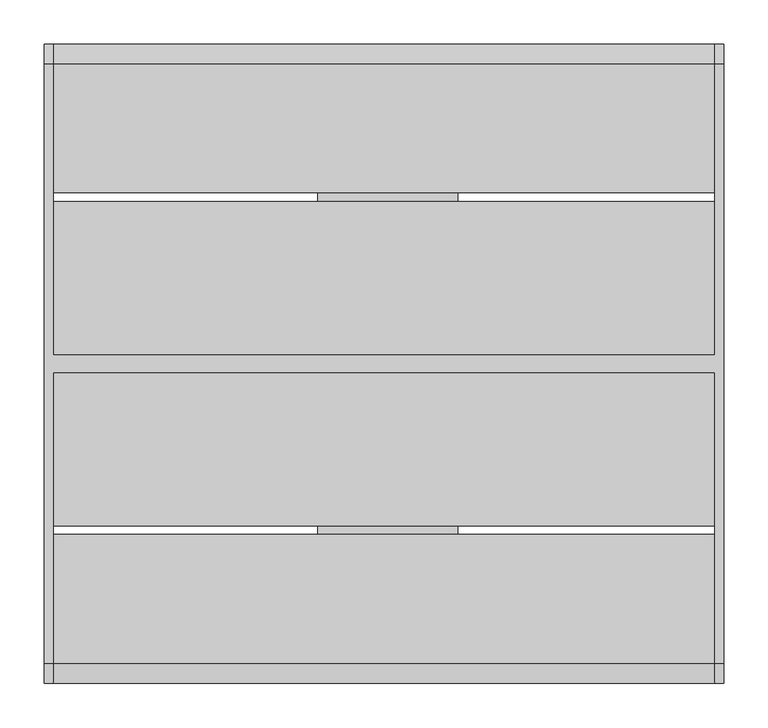
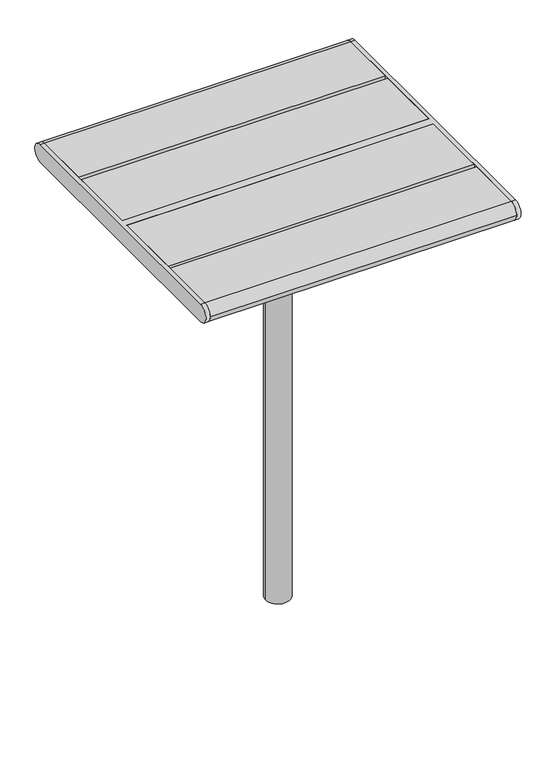
"""IFC4 building model written with IfcOpenShell, lengths in millimetres: furniture geometry."""

from ifc_helpers import new_model, si_unit, point, frame, frame_2d, origin, place, context, project, spatial, polyline, circle_curve, trimmed, segment, composite_curve, outline, extrude, source, transform, mapped, element, save
from ifc_brep_helpers import plane_surface, cylinder_surface, advanced_brep


def furniture_14a048e4(model_context):
    return source(origin(), model_context, "Body", "SolidModel", [
        advanced_brep(
        [(383.5, 338.5, 740.0), (383.5, -338.5, 740.0), (383.5, -338.5, 695.0), (383.5, 338.5, 695.0), (373.5, 338.5, 740.0), (373.5, 338.5, 695.0), (373.5, 10.0, 695.0), (373.5, 10.0, 740.0), (373.5, -338.5, 695.0), (373.5, -338.5, 740.0), (373.5, -10.0, 740.0), (373.5, -10.0, 695.0), (-373.5, 10.0, 740.0), (-373.5, 338.5, 740.0), (-383.5, 338.5, 740.0), (-383.5, -338.5, 740.0), (-373.5, -338.5, 740.0), (-373.5, -10.0, 740.0), (-373.5, -10.0, 695.0), (-373.5, -338.5, 695.0), (-383.5, -338.5, 695.0), (-383.5, 338.5, 695.0), (-373.5, 338.5, 695.0), (-373.5, 10.0, 695.0)],
        [
            (0, 1),
            (1, 2, circle_curve(frame((383.5, -338.5, 717.5), z_axis=(1.0, 0.0, 0.0), x_axis=(0.0, 1.0, 0.0)), 22.5)),
            (2, 3),
            (3, 0, circle_curve(frame((383.5, 338.5, 717.5), z_axis=(1.0, 0.0, 0.0), x_axis=(0.0, 1.0, 0.0)), 22.5)),
            (4, 5, circle_curve(frame((373.5, 338.5, 717.5), z_axis=(-1.0, 0.0, 0.0), x_axis=(0.0, 1.0, 0.0)), 22.5)),
            (5, 6),
            (6, 7),
            (7, 4),
            (8, 9, circle_curve(frame((373.5, -338.5, 717.5), z_axis=(-1.0, 0.0, 0.0), x_axis=(0.0, 1.0, 0.0)), 22.5)),
            (9, 10),
            (10, 11),
            (11, 8),
            (0, 4),
            (7, 12),
            (12, 13),
            (13, 14),
            (14, 15),
            (15, 16),
            (16, 17),
            (17, 10),
            (9, 1),
            (8, 2),
            (11, 18),
            (18, 19),
            (19, 20),
            (20, 21),
            (21, 22),
            (22, 23),
            (23, 6),
            (5, 3),
            (17, 18),
            (23, 12),
            (16, 19, circle_curve(frame((-373.5, -338.5, 717.5), z_axis=(1.0, 0.0, 0.0), x_axis=(0.0, 1.0, 0.0)), 22.5)),
            (22, 13, circle_curve(frame((-373.5, 338.5, 717.5), z_axis=(1.0, 0.0, 0.0), x_axis=(0.0, 1.0, 0.0)), 22.5)),
            (14, 21, circle_curve(frame((-383.5, 338.5, 717.5), z_axis=(-1.0, 0.0, 0.0), x_axis=(0.0, 1.0, 0.0)), 22.5)),
            (20, 15, circle_curve(frame((-383.5, -338.5, 717.5), z_axis=(-1.0, 0.0, 0.0), x_axis=(0.0, 1.0, 0.0)), 22.5)),
        ],
        [
            plane_surface(frame((383.5, -338.5, 740.0), z_axis=(1.0, 0.0, 0.0), x_axis=(0.0, -1.0, 0.0))),
            plane_surface(frame((373.5, -338.5, 740.0), z_axis=(-1.0, 0.0, 0.0), x_axis=(0.0, 1.0, 0.0))),
            plane_surface(frame((383.5, 338.5, 740.0), z_axis=(0.0, 0.0, 1.0), x_axis=(-1.0, 0.0, 0.0))),
            cylinder_surface(frame((373.5, -338.5, 717.5), z_axis=(1.0, 0.0, 0.0), x_axis=(0.0, 1.0, 0.0)), 22.5),
            plane_surface(frame((383.5, -338.5, 695.0), z_axis=(0.0, 0.0, -1.0), x_axis=(-1.0, 0.0, 0.0))),
            cylinder_surface(frame((373.5, 338.5, 717.5), z_axis=(1.0, 0.0, 0.0), x_axis=(0.0, 1.0, 0.0)), 22.5),
            plane_surface(frame((373.5, -10.0, 740.0), z_axis=(0.0, -1.0, 0.0), x_axis=(-1.0, 0.0, 0.0))),
            plane_surface(frame((373.5, 10.0, 695.0), z_axis=(0.0, 1.0, 0.0), x_axis=(-1.0, 0.0, 0.0))),
            plane_surface(frame((-373.5, -338.5, 740.0), z_axis=(1.0, 0.0, 0.0), x_axis=(0.0, -1.0, 0.0))),
            plane_surface(frame((-383.5, -338.5, 740.0), z_axis=(-1.0, 0.0, 0.0), x_axis=(0.0, 1.0, 0.0))),
            cylinder_surface(frame((-383.5, -338.5, 717.5), z_axis=(1.0, 0.0, 0.0), x_axis=(0.0, 1.0, 0.0)), 22.5),
            cylinder_surface(frame((-383.5, 338.5, 717.5), z_axis=(1.0, 0.0, 0.0), x_axis=(0.0, 1.0, 0.0)), 22.5),
        ],
        [
            (0, [[1, 2, 3, 4]]),
            (1, [[5, 6, 7, 8]]),
            (1, [[9, 10, 11, 12]]),
            (2, [[-1, 13, -8, 14, 15, 16, 17, 18, 19, 20, -10, 21]]),
            (3, [[-2, -21, -9, 22]]),
            (4, [[-3, -22, -12, 23, 24, 25, 26, 27, 28, 29, -6, 30]]),
            (5, [[-4, -30, -5, -13]]),
            (6, [[-20, 31, -23, -11]]),
            (7, [[-29, 32, -14, -7]]),
            (8, [[33, -24, -31, -19]]),
            (8, [[34, -15, -32, -28]]),
            (9, [[35, -26, 36, -17]]),
            (10, [[-33, -18, -36, -25]]),
            (11, [[-34, -27, -35, -16]]),
        ],
    ),
        extrude(outline(composite_curve([segment(trimmed(circle_curve(frame_2d((338.5, 717.5)), 22.5), [point((338.5, 740.0))], [point((338.5, 695.0))], False, "CARTESIAN"), True, "CONTINUOUS"), segment(polyline([(338.5, 695.0), (193.0, 695.0), (193.0, 740.0), (338.5, 740.0)]), True, "CONTINUOUS")], self_intersect=False)), frame((-373.5, 0.0, 0.0), z_axis=(1.0, 0.0, 0.0), x_axis=(0.0, 1.0, 0.0)), (0.0, 0.0, 1.0), 747.0),
        extrude(outline(composite_curve([segment(polyline([(-193.0, 695.0), (-338.5, 695.0)]), True, "CONTINUOUS"), segment(trimmed(circle_curve(frame_2d((-338.5, 717.5)), 22.5), [point((-338.5, 695.0))], [point((-361.0, 717.5))], False, "CARTESIAN"), True, "CONTINUOUS"), segment(trimmed(circle_curve(frame_2d((-338.5, 717.5)), 22.5), [point((-361.0, 717.5))], [point((-338.5, 740.0))], False, "CARTESIAN"), True, "CONTINUOUS"), segment(polyline([(-338.5, 740.0), (-193.0, 740.0), (-193.0, 695.0)]), True, "CONTINUOUS")], self_intersect=False)), frame((-373.5, 0.0, 0.0), z_axis=(1.0, 0.0, 0.0), x_axis=(0.0, 1.0, 0.0)), (0.0, 0.0, 1.0), 747.0),
        extrude(outline(polyline([(373.5, 183.0), (373.5, 10.0), (-373.5, 10.0), (-373.5, 183.0), (373.5, 183.0)])), frame((0.0, 0.0, 695.0), z_axis=(0.0, 0.0, 1.0), x_axis=(1.0, 0.0, 0.0)), (0.0, 0.0, 1.0), 45.0),
        extrude(outline(polyline([(373.5, -10.0), (373.5, -183.0), (-373.5, -183.0), (-373.5, -10.0), (373.5, -10.0)])), frame((0.0, 0.0, 695.0), z_axis=(0.0, 0.0, 1.0), x_axis=(1.0, 0.0, 0.0)), (0.0, 0.0, 1.0), 45.0),
        advanced_brep(
        [(-75.0, 125.0, 687.0), (-75.0, 125.0, 679.0), (-75.0, -125.0, 679.0), (-75.0, -125.0, 687.0), (-75.0, -299.0, 687.0), (-75.0, -299.0, 695.0), (-75.0, 299.0, 695.0), (-75.0, 299.0, 687.0), (75.0, 299.0, 687.0), (75.0, 125.0, 687.0), (83.0, 299.0, 695.0), (83.0, 299.0, 687.0), (83.0, -299.0, 695.0), (75.0, -299.0, 687.0), (83.0, -299.0, 687.0), (75.0, -125.0, 687.0), (75.0, -125.0, 679.0), (75.0, 125.0, 679.0), (-30.0, 0.0, 679.0), (30.0, 0.0, 679.0), (83.0, 45.0, 644.0), (83.0, -45.0, 644.0), (75.0, 45.0, 644.0), (75.0, -45.0, 644.0), (-30.0, 0.0, -350.303316), (30.0, 0.0, -350.303316)],
        [
            (0, 1),
            (1, 2),
            (2, 3),
            (3, 4),
            (4, 5),
            (5, 6),
            (6, 7),
            (7, 0),
            (7, 8),
            (8, 9),
            (9, 0),
            (6, 10),
            (10, 11),
            (11, 8),
            (5, 12),
            (12, 10),
            (4, 13),
            (13, 14),
            (14, 12),
            (3, 15),
            (15, 13),
            (2, 16),
            (16, 15),
            (1, 17),
            (17, 16),
            (18, 19, circle_curve(frame((0.0, 0.0, 679.0), z_axis=(0.0, 0.0, 1.0), x_axis=(1.0, 0.0, 0.0)), 30.0)),
            (19, 18, circle_curve(frame((0.0, 0.0, 679.0), z_axis=(0.0, 0.0, 1.0), x_axis=(1.0, 0.0, 0.0)), 30.0)),
            (9, 17),
            (20, 11),
            (14, 21),
            (21, 20),
            (22, 23),
            (23, 13),
            (8, 22),
            (20, 22),
            (23, 21),
            (24, 25, circle_curve(frame((0.0, 0.0, -350.303316), z_axis=(0.0, 0.0, -1.0), x_axis=(1.0, 0.0, 0.0)), 30.0)),
            (25, 24, circle_curve(frame((0.0, 0.0, -350.303316), z_axis=(0.0, 0.0, -1.0), x_axis=(1.0, 0.0, 0.0)), 30.0)),
            (25, 19),
            (18, 24),
        ],
        [
            plane_surface(frame((-75.0, 299.0, 687.0), z_axis=(-1.0, 0.0, 0.0), x_axis=(0.0, -1.0, 0.0))),
            plane_surface(frame((75.0, 125.0, 687.0), z_axis=(0.0, 0.0, -1.0), x_axis=(-1.0, 0.0, 0.0))),
            plane_surface(frame((75.0, 299.0, 687.0), z_axis=(0.0, 1.0, 0.0), x_axis=(-1.0, 0.0, 0.0))),
            plane_surface(frame((75.0, 299.0, 695.0), z_axis=(0.0, 0.0, 1.0), x_axis=(-1.0, 0.0, 0.0))),
            plane_surface(frame((75.0, -299.0, 695.0), z_axis=(0.0, -1.0, 0.0), x_axis=(-1.0, 0.0, 0.0))),
            plane_surface(frame((75.0, -299.0, 687.0), z_axis=(0.0, 0.0, -1.0), x_axis=(-1.0, 0.0, 0.0))),
            plane_surface(frame((75.0, -125.0, 687.0), z_axis=(0.0, -1.0, 0.0), x_axis=(-1.0, 0.0, 0.0))),
            plane_surface(frame((75.0, -125.0, 679.0), z_axis=(0.0, 0.0, -1.0), x_axis=(-1.0, 0.0, 0.0))),
            plane_surface(frame((75.0, 125.0, 679.0), z_axis=(0.0, 1.0, 0.0), x_axis=(-1.0, 0.0, 0.0))),
            plane_surface(frame((83.0, 299.0, 687.0), z_axis=(1.0, 0.0, 0.0), x_axis=(0.0, 0.9859710587294898, 0.1669163603360949))),
            plane_surface(frame((75.0, 299.0, 687.0), z_axis=(-1.0, 0.0, 0.0), x_axis=(0.0, -0.9859710587294898, -0.1669163603360949))),
            plane_surface(frame((83.0, 45.0, 644.0), z_axis=(0.0, 0.1669163603360949, -0.9859710587294898), x_axis=(-1.0, 0.0, 0.0))),
            plane_surface(frame((83.0, -299.0, 687.0), z_axis=(0.0, -0.16691636033609472, -0.9859710587294899), x_axis=(-1.0, 0.0, 0.0))),
            plane_surface(frame((83.0, -45.0, 644.0), z_axis=(0.0, 0.0, -1.0), x_axis=(-1.0, 0.0, 0.0))),
            plane_surface(frame((30.0, 0.0, -350.303316), z_axis=(0.0, 0.0, -1.0), x_axis=(0.0, -1.0, 0.0))),
            cylinder_surface(frame((0.0, 0.0, -350.303316), z_axis=(0.0, 0.0, 1.0), x_axis=(1.0, 0.0, 0.0)), 30.0),
        ],
        [
            (0, [[1, 2, 3, 4, 5, 6, 7, 8]]),
            (1, [[-8, 9, 10, 11]]),
            (2, [[-7, 12, 13, 14, -9]]),
            (3, [[-6, 15, 16, -12]]),
            (4, [[-5, 17, 18, 19, -15]]),
            (5, [[-4, 20, 21, -17]]),
            (6, [[-3, 22, 23, -20]]),
            (7, [[-2, 24, 25, -22], [26, 27]]),
            (8, [[-1, -11, 28, -24]]),
            (9, [[29, -13, -16, -19, 30, 31]]),
            (10, [[32, 33, -21, -23, -25, -28, -10, 34]]),
            (11, [[-29, 35, -34, -14]]),
            (12, [[-30, -18, -33, 36]]),
            (13, [[-31, -36, -32, -35]]),
            (14, [[37, 38]]),
            (15, [[-38, 39, -26, 40]]),
            (15, [[-37, -40, -27, -39]]),
        ],
    ),
    ])


if __name__ == "__main__":
    model = new_model("IFC4")
    model_context = context("Model", 3, world=origin())
    ifc_project = project(units=[si_unit("LENGTHUNIT", "METRE", prefix="MILLI")], contexts=[model_context])
    site = spatial("IfcSite", under=ifc_project)
    building = spatial("IfcBuilding", under=site)
    placement = place(None, origin())
    furniture_shape = furniture_14a048e4(model_context)
    element("IfcFurniture", 1, at=placement, inside=building, context=model_context, shape_type="MappedRepresentation", body=[
        mapped(furniture_shape, transform((0.0, 0.0, 0.0), x_axis=(1.0, 0.0, 0.0), y_axis=(0.0, 1.0, 0.0), z_axis=(0.0, 0.0, 1.0))),
    ])
    save(model, "model.ifc")
